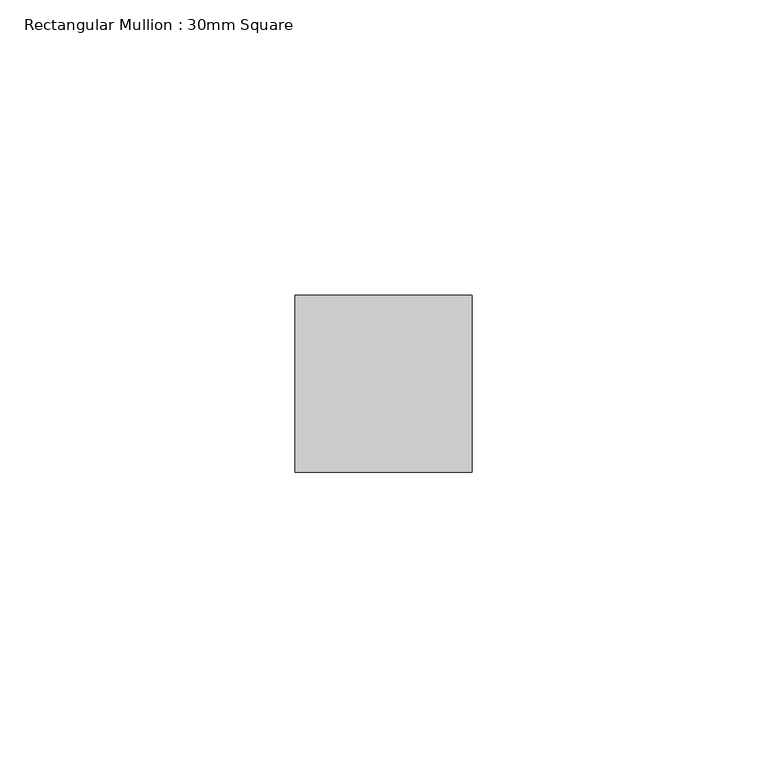
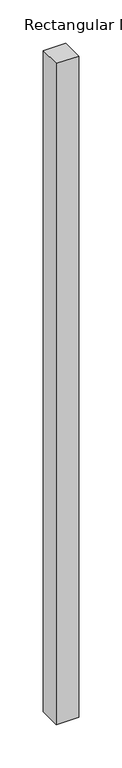
"""IFC4 building model written with IfcOpenShell, lengths in millimetres: member geometry, Rectangular Mullion : 30mm Square."""

from ifc_helpers import new_model, si_unit, frame, origin, place, context, project, spatial, polyline, outline, extrude, source, transform, mapped, element, save


def rectangular_mullion_30mm_square_ebef8146(model_context):
    return source(origin(), model_context, "Body", "SweptSolid", [
        extrude(outline(polyline([(15.0, 15.0), (15.0, -15.0), (-15.0, -15.0), (-15.0, 15.0), (15.0, 15.0)])), frame((0.0, 0.0, -935.4156789), z_axis=(0.0, 0.0, 1.0), x_axis=(1.0, 0.0, 0.0)), (0.0, 0.0, 1.0), 935.4156789),
    ])


if __name__ == "__main__":
    model = new_model("IFC4")
    model_context = context("Model", 3, world=origin())
    ifc_project = project(units=[si_unit("LENGTHUNIT", "METRE", prefix="MILLI")], contexts=[model_context])
    site = spatial("IfcSite", under=ifc_project)
    building = spatial("IfcBuilding", under=site)
    placement = place(None, origin())
    rectangular_mullion_30mm_square_shape = rectangular_mullion_30mm_square_ebef8146(model_context)
    element("IfcMember", 1, ObjectType="Rectangular Mullion : 30mm Square", at=placement, inside=building, context=model_context, shape_type="MappedRepresentation", body=[
        mapped(rectangular_mullion_30mm_square_shape, transform((0.0, 0.0, 0.0), x_axis=(1.0, 0.0, 0.0), y_axis=(0.0, 1.0, 0.0), z_axis=(0.0, 0.0, 1.0))),
    ])
    save(model, "model.ifc")
